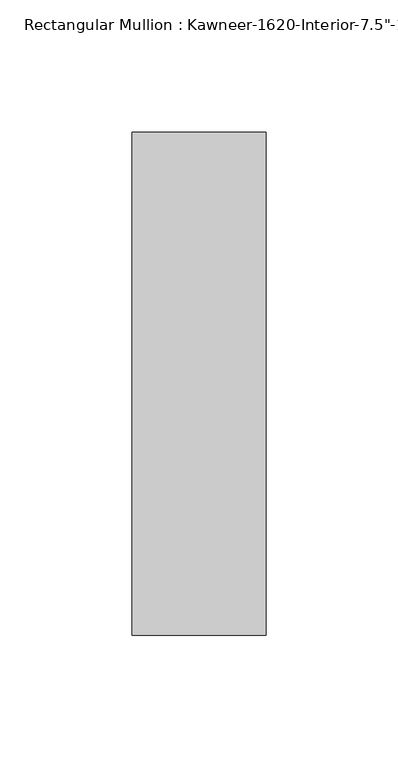
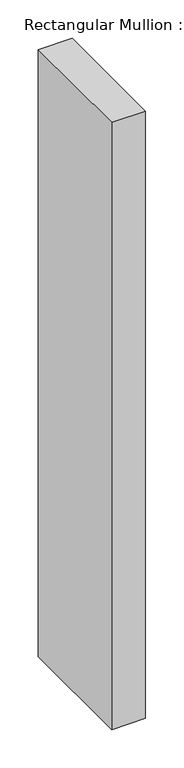
"""IFC4 building model written with IfcOpenShell, lengths in millimetres: member geometry."""

from ifc_helpers import new_model, si_unit, frame, origin, place, context, project, spatial, polyline, outline, extrude, source, transform, mapped, element, save


def member_6e228392(model_context):
    return source(origin(), model_context, "Body", "SweptSolid", [
        extrude(outline(polyline([(25.4, 152.4), (25.4, -38.1), (-25.4, -38.1), (-25.4, 152.4), (25.4, 152.4)])), frame((0.0, 0.0, -965.2), z_axis=(0.0, 0.0, 1.0), x_axis=(1.0, 0.0, 0.0)), (0.0, 0.0, 1.0), 965.2),
    ])


if __name__ == "__main__":
    model = new_model("IFC4")
    model_context = context("Model", 3, world=origin())
    ifc_project = project(units=[si_unit("LENGTHUNIT", "METRE", prefix="MILLI")], contexts=[model_context])
    site = spatial("IfcSite", under=ifc_project)
    building = spatial("IfcBuilding", under=site)
    placement = place(None, origin())
    member_shape = member_6e228392(model_context)
    element("IfcMember", 1, ObjectType="Rectangular Mullion : Kawneer-1620-Interior-7.5\"-1\"Infill", at=placement, inside=building, context=model_context, shape_type="MappedRepresentation", body=[
        mapped(member_shape, transform((0.0, 0.0, 0.0), x_axis=(1.0, 0.0, 0.0), y_axis=(0.0, 1.0, 0.0), z_axis=(0.0, 0.0, 1.0))),
    ])
    save(model, "model.ifc")
